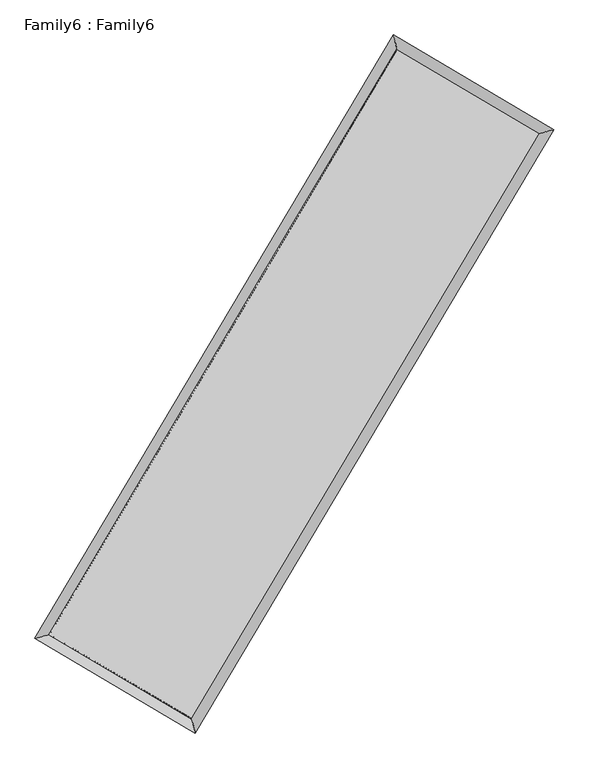
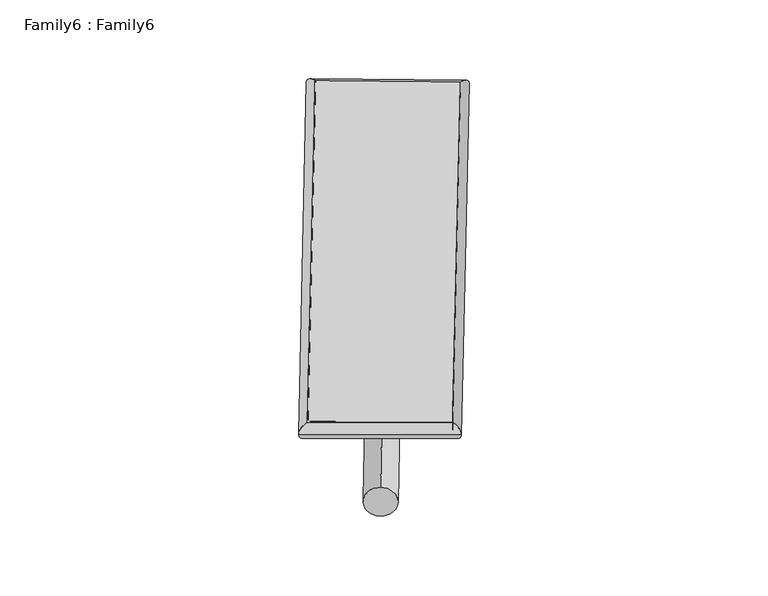
"""IFC4 building model written with IfcOpenShell, lengths in millimetres: plate geometry, Family6 : Family6."""

import ifcopenshell
import ifcopenshell.guid

model = None  # the IFC model being written
_history = None  # IfcOwnerHistory: only IFC2X3 demands one
_inside = {}  # id of a spatial element -> (the spatial element, [elements in it])
_under = {}  # id of a project, library or spatial element -> (it, [spatial elements below it])
_declared = {}  # id of a project -> (the project, [libraries it declares])
_typed = {}  # id of a type object -> (the type object, [elements of that type])
_made_of = {}  # id of a material, layer set ... -> (it, [elements and type objects made of it])


def new_model(schema):
    """Start an empty IFC model of exactly this schema.

    Asked for "IFC4X3", IfcOpenShell would pick the latest addendum, in which some entities
    have other attributes; the version numbers below select the first issue.
    IFC2X3 requires an IfcOwnerHistory on every rooted entity: one is made here for all.
    """
    global model, _history
    if schema == "IFC4X3":
        model = ifcopenshell.file(schema_version=(4, 3, 0, 0))
    else:
        model = ifcopenshell.file(schema=schema)
    _inside.clear()
    _under.clear()
    _declared.clear()
    _typed.clear()
    _made_of.clear()
    _history = None
    if model.schema == "IFC2X3":
        org = make("IfcOrganization", Name="unknown")
        user = make(
            "IfcPersonAndOrganization",
            ThePerson=make("IfcPerson", FamilyName="unknown"),
            TheOrganization=org,
        )
        app = make(
            "IfcApplication",
            ApplicationDeveloper=org,
            Version="unknown",
            ApplicationFullName="unknown",
            ApplicationIdentifier="unknown",
        )
        _history = make(
            "IfcOwnerHistory",
            OwningUser=user,
            OwningApplication=app,
            ChangeAction="ADDED",
            CreationDate=0,
        )
    return model


def make(cls, **values):
    """One entity of the class cls with the attributes given. An attribute that is None is left unset."""
    return model.create_entity(
        cls, **{name: value for name, value in values.items() if value is not None}
    )


def rooted(cls, **values):
    """An entity with a GlobalId (a new one), such as an element, a storey or a relation."""
    return make(cls, GlobalId=ifcopenshell.guid.new(), OwnerHistory=_history, **values)


def si_unit(unit_type, name, prefix=None):
    """IfcSIUnit, for example si_unit("LENGTHUNIT", "METRE", prefix="MILLI")."""
    return make("IfcSIUnit", UnitType=unit_type, Prefix=prefix, Name=name)


def assignment(units):
    """IfcUnitAssignment: the units of a project."""
    return None if units is None else make("IfcUnitAssignment", Units=units)


def point(xyz):
    """IfcCartesianPoint."""
    return None if xyz is None else make("IfcCartesianPoint", Coordinates=xyz)


def direction(xyz):
    """IfcDirection."""
    return None if xyz is None else make("IfcDirection", DirectionRatios=xyz)


def frame(location, z_axis=None, x_axis=None):
    """IfcAxis2Placement3D, a coordinate frame: its origin and axes. An axis left out is left unset."""
    return make(
        "IfcAxis2Placement3D",
        Location=point(location),
        Axis=direction(z_axis),
        RefDirection=direction(x_axis),
    )


def frame_2d(location, x_axis=None):
    """IfcAxis2Placement2D, a coordinate frame in the plane: its origin and x axis."""
    return make(
        "IfcAxis2Placement2D", Location=point(location), RefDirection=direction(x_axis)
    )


def origin():
    """The frame at (0, 0, 0) with its axes left unset."""
    return frame((0.0, 0.0, 0.0))


def origin_2d():
    """The frame at (0, 0) in the plane with its x axis left unset."""
    return frame_2d((0.0, 0.0))


def place(relative_to, where):
    """IfcLocalPlacement: puts the frame where relative to a parent placement (None: the world)."""
    return make(
        "IfcLocalPlacement", PlacementRelTo=relative_to, RelativePlacement=where
    )


def context(
    kind, dimensions, precision=None, world=None, true_north=None, identifier=None
):
    """IfcGeometricRepresentationContext, for example the 3D "Model" context."""
    return make(
        "IfcGeometricRepresentationContext",
        ContextIdentifier=identifier,
        ContextType=kind,
        CoordinateSpaceDimension=dimensions,
        Precision=precision,
        WorldCoordinateSystem=world,
        TrueNorth=true_north,
    )


def project(units=None, contexts=None):
    """IfcProject with its units and contexts."""
    return rooted(
        "IfcProject",
        Name="project",
        RepresentationContexts=contexts,
        UnitsInContext=assignment(units),
    )


def spatial(cls, under=None, at=None, **own):
    """A site, building, storey or space (cls), placed at a placement, below another one or the project."""
    s = rooted(cls, ObjectPlacement=at, **own)
    if under is not None:
        _under.setdefault(under.id(), (under, []))[1].append(s)
    return s


def circle_curve(where, radius):
    """IfcCircle in the frame where."""
    return make("IfcCircle", Position=where, Radius=radius)


def ellipse_curve(where, semi_axis1, semi_axis2):
    """IfcEllipse in the frame where."""
    return make(
        "IfcEllipse", Position=where, SemiAxis1=semi_axis1, SemiAxis2=semi_axis2
    )


def trimmed(basis, trim1, trim2, sense, master):
    """IfcTrimmedCurve: the piece of a basis curve between two trims."""
    return make(
        "IfcTrimmedCurve",
        BasisCurve=basis,
        Trim1=trim1,
        Trim2=trim2,
        SenseAgreement=sense,
        MasterRepresentation=master,
    )


def segment(curve, same_sense, transition):
    """IfcCompositeCurveSegment."""
    return make(
        "IfcCompositeCurveSegment",
        Transition=transition,
        SameSense=same_sense,
        ParentCurve=curve,
    )


def composite_curve(segments, self_intersect=None):
    """IfcCompositeCurve: segments joined end to end."""
    return make("IfcCompositeCurve", Segments=segments, SelfIntersect=self_intersect)


def outline(outer, holes=None, kind="AREA"):
    """IfcArbitraryClosedProfileDef: a profile drawn as a closed curve; with holes, ...WithVoids."""
    if holes is None:
        return make("IfcArbitraryClosedProfileDef", ProfileType=kind, OuterCurve=outer)
    return make(
        "IfcArbitraryProfileDefWithVoids",
        ProfileType=kind,
        OuterCurve=outer,
        InnerCurves=holes,
    )


def extrude(swept, where, along, depth):
    """IfcExtrudedAreaSolid: the profile swept, set in the frame where, extruded along a direction by depth."""
    return make(
        "IfcExtrudedAreaSolid",
        SweptArea=swept,
        Position=where,
        ExtrudedDirection=direction(along),
        Depth=depth,
    )


def shape(context_of_items, identifier, shape_type, items):
    """IfcShapeRepresentation: the items that make up one representation, for example the "Body"."""
    return make(
        "IfcShapeRepresentation",
        ContextOfItems=context_of_items,
        RepresentationIdentifier=identifier,
        RepresentationType=shape_type,
        Items=items,
    )


def source(mapping_origin, context_of_items, identifier, shape_type, items):
    """IfcRepresentationMap: a shape defined once, which mapped items show again and again."""
    return make(
        "IfcRepresentationMap",
        MappingOrigin=mapping_origin,
        MappedRepresentation=shape(context_of_items, identifier, shape_type, items),
    )


def transform(
    local_origin,
    x_axis=None,
    y_axis=None,
    z_axis=None,
    scale=None,
    scale2=None,
    scale3=None,
    uniform=True,
):
    """IfcCartesianTransformationOperator3D, or its non-uniform kind. x_axis, y_axis, z_axis: its Axis1, 2, 3."""
    if uniform:
        return make(
            "IfcCartesianTransformationOperator3D",
            Axis1=direction(x_axis),
            Axis2=direction(y_axis),
            LocalOrigin=point(local_origin),
            Scale=scale,
            Axis3=direction(z_axis),
        )
    return make(
        "IfcCartesianTransformationOperator3DnonUniform",
        Axis1=direction(x_axis),
        Axis2=direction(y_axis),
        LocalOrigin=point(local_origin),
        Scale=scale,
        Axis3=direction(z_axis),
        Scale2=scale2,
        Scale3=scale3,
    )


def mapped(mapping_source, mapping_target):
    """IfcMappedItem: shows the shape of a source again, moved by a transform."""
    return make(
        "IfcMappedItem", MappingSource=mapping_source, MappingTarget=mapping_target
    )


def made_of(thing, what):
    """Note that an element or type object is made of a material, layer set ...; save() writes the relation."""
    if what is not None:
        _made_of.setdefault(what.id(), (what, []))[1].append(thing)
    return thing


def element(
    cls,
    number,
    at=None,
    inside=None,
    cuts=None,
    type_object=None,
    material=None,
    context=None,
    identifier="Body",
    shape_type=None,
    held_by="IfcProductDefinitionShape",
    body=None,
    shapes=None,
    **own,
):
    """One element of the class cls, such as IfcWall. Its Tag is "e" and its number.

    at: its placement. inside: the storey or other place that contains it. cuts: it is an
    opening in that element (IfcRelVoidsElement). A single representation is given by context,
    identifier, shape_type and body (its items); several are given by shapes. held_by: the class
    of the entity that holds the representations. save() writes the other relations.
    """
    e = rooted(cls, Tag="e%d" % number, ObjectPlacement=at, **own)
    if body is not None:
        shapes = [shape(context, identifier, shape_type, body)]
    if shapes is not None:
        e.Representation = make(held_by, Representations=shapes)
    if inside is not None:
        _inside.setdefault(inside.id(), (inside, []))[1].append(e)
    if cuts is not None:
        rooted(
            "IfcRelVoidsElement", RelatingBuildingElement=cuts, RelatedOpeningElement=e
        )
    if type_object is not None:
        _typed.setdefault(type_object.id(), (type_object, []))[1].append(e)
    return made_of(e, material)


def aggregate(whole, parts):
    """IfcRelAggregates: a whole, such as a stair, and the parts it consists of."""
    return rooted("IfcRelAggregates", RelatingObject=whole, RelatedObjects=parts)


def save(model, path):
    """Write the relations noted so far, then the file.

    IfcRelAggregates (storeys below a building ...), IfcRelContainedInSpatialStructure (elements
    in a storey), IfcRelDefinesByType, IfcRelAssociatesMaterial and IfcRelDeclares: one each for
    every whole, place, type object, material and project.
    """
    for whole, parts in _under.values():
        aggregate(whole, parts)
    for where, things in _inside.values():
        rooted(
            "IfcRelContainedInSpatialStructure",
            RelatedElements=things,
            RelatingStructure=where,
        )
    for kind, things in _typed.values():
        rooted("IfcRelDefinesByType", RelatedObjects=things, RelatingType=kind)
    for what, things in _made_of.values():
        rooted("IfcRelAssociatesMaterial", RelatedObjects=things, RelatingMaterial=what)
    for by, libraries in _declared.values():
        rooted("IfcRelDeclares", RelatingContext=by, RelatedDefinitions=libraries)
    model.write(path)


def plane_surface(at):
    """IfcPlane: the flat surface through the origin of the frame at, square to its z axis."""
    return make("IfcPlane", Position=at)


def cylinder_surface(at, radius):
    """IfcCylindricalSurface: all points at the distance radius from the z axis of the frame at."""
    return make("IfcCylindricalSurface", Position=at, Radius=radius)


def spline_surface(u_degree, v_degree, points, u_multiplicities, v_multiplicities, u_knots, v_knots, weights=None):
    """IfcBSplineSurfaceWithKnots; with weights, IfcRationalBSplineSurfaceWithKnots. points: one row for each step in u."""
    own = dict(
        UDegree=u_degree,
        VDegree=v_degree,
        ControlPointsList=[[point(p) for p in row] for row in points],
        SurfaceForm="UNSPECIFIED",
        UClosed=False,
        VClosed=False,
        SelfIntersect=False,
        UMultiplicities=u_multiplicities,
        VMultiplicities=v_multiplicities,
        UKnots=u_knots,
        VKnots=v_knots,
        KnotSpec="UNSPECIFIED",
    )
    if weights is None:
        return make("IfcBSplineSurfaceWithKnots", **own)
    return make("IfcRationalBSplineSurfaceWithKnots", WeightsData=weights, **own)


def advanced_brep(points, edges, surfaces, faces):
    """IfcAdvancedBrep: a solid bounded by faces that lie on surfaces and meet in shared edges.

    An edge is (start, end): straight between two places in points (the first is 0);
    or (start, end, curve); or (start, end, curve, False) where it runs against its curve.
    A face is (place in surfaces, loops), or (place, loops, False) where it looks against
    its surface's normal. A loop lists edges by number (the first is 1), with a minus sign
    where the edge is run from its end to its start. The first loop is the outer one.
    """
    corners = [point(p) for p in points]
    vertices = [make("IfcVertexPoint", VertexGeometry=c) for c in corners]
    made = []
    for start, end, *more in edges:
        made.append(
            make(
                "IfcEdgeCurve",
                EdgeStart=vertices[start],
                EdgeEnd=vertices[end],
                EdgeGeometry=more[0] if more else make("IfcPolyline", Points=[corners[start], corners[end]]),
                SameSense=more[1] if len(more) > 1 else True,
            )
        )
    hull = []
    for where, loops, *sense in faces:
        bounds = []
        for j, loop in enumerate(loops):
            ring = [make("IfcOrientedEdge", EdgeElement=made[abs(k) - 1], Orientation=k > 0) for k in loop]
            bounds.append(
                make(
                    "IfcFaceOuterBound" if j == 0 else "IfcFaceBound",
                    Bound=make("IfcEdgeLoop", EdgeList=ring),
                    Orientation=True,
                )
            )
        hull.append(make("IfcAdvancedFace", Bounds=bounds, FaceSurface=surfaces[where], SameSense=sense[0] if sense else True))
    return make("IfcAdvancedBrep", Outer=make("IfcClosedShell", CfsFaces=hull))


def family6_family6_0a7418eb(model_context):
    return source(origin(), model_context, "Body", "SolidModel", [
        extrude(outline(composite_curve([segment(trimmed(circle_curve(origin_2d(), 76.2), [point((-75.4341514, -10.7763073))], [point((75.4341514, 10.7763073))], False, "CARTESIAN"), True, "CONTINUOUS"), segment(trimmed(circle_curve(origin_2d(), 76.2), [point((75.4341514, 10.7763073))], [point((-75.4341514, -10.7763073))], False, "CARTESIAN"), True, "CONTINUOUS")], self_intersect=False)), frame((9144.0, 9144.0, 0.0), z_axis=(0.673968004526643, 0.6868357706725269, 0.272073065552346), x_axis=(-0.6788062662114385, 0.7210772147014431, -0.13881535718534424)), (0.0, 0.0, 1.0), 5570.0200809),
        extrude(outline(composite_curve([segment(trimmed(circle_curve(origin_2d(), 76.2), [point((-53.8815367, 53.8815367))], [point((53.8815367, -53.8815367))], False, "CARTESIAN"), True, "CONTINUOUS"), segment(trimmed(circle_curve(origin_2d(), 76.2), [point((53.8815367, -53.8815367))], [point((-53.8815367, 53.8815367))], False, "CARTESIAN"), True, "CONTINUOUS")], self_intersect=False)), frame((9144.0, 9144.0, 0.0), z_axis=(-0.673752473547154, -0.6870444655350832, 0.2720799639199912), x_axis=(0.6406573287664044, -0.35960058750814716, 0.6784140362357567)), (0.0, 0.0, 1.0), 5569.7858934),
        extrude(outline(composite_curve([segment(trimmed(circle_curve(origin_2d(), 76.2), [point((-53.8815367, -53.8815367))], [point((53.8815367, 53.8815367))], False, "CARTESIAN"), True, "CONTINUOUS"), segment(trimmed(circle_curve(origin_2d(), 76.2), [point((53.8815367, 53.8815367))], [point((-53.8815367, -53.8815367))], False, "CARTESIAN"), True, "CONTINUOUS")], self_intersect=False)), frame((9144.0, 9144.0, 0.0), z_axis=(0.28097358794321636, 0.9195410915082378, 0.27476903738622804), x_axis=(-0.8387601016815327, 0.37442098430968185, -0.39533582981530263)), (0.0, 0.0, 1.0), 5565.5394987),
        extrude(outline(composite_curve([segment(trimmed(circle_curve(origin_2d(), 76.2), [point((-75.4341514, 10.7763074))], [point((75.4341514, -10.7763074))], False, "CARTESIAN"), True, "CONTINUOUS"), segment(trimmed(circle_curve(origin_2d(), 76.2), [point((75.4341514, -10.7763074))], [point((-75.4341514, 10.7763074))], False, "CARTESIAN"), True, "CONTINUOUS")], self_intersect=False)), frame((9144.0, 9144.0, 0.0), z_axis=(-0.28127257107888104, -0.9194510780781302, 0.2747643641006597), x_axis=(0.8762890230643814, -0.12938289139382844, 0.46408793937296505)), (0.0, 0.0, 1.0), 5565.6057934),
        advanced_brep(
        [(5182.2322699, 5263.7604991, 1516.5281671), (5600.4601556, 5370.8675239, 1516.8269259), (5600.4536845, 5370.8583564, 1514.3261228), (10761.1608398, 14053.3065128, 1527.7323871), (10654.3783638, 14470.1780182, 1530.7434741), (5182.2257988, 5263.7513316, 1514.027364), (12688.8425905, 12916.1430366, 1515.5994829), (13107.1880477, 13023.2350332, 1515.3053943), (7525.2033496, 4235.127483, 1528.9735775), (7631.8921482, 3818.2680232, 1529.4866958)],
        [
            (0, 1, ellipse_curve(frame((5391.3429772, 5317.3094278, 1515.4271449), z_axis=(-0.24808785341646886, 0.968733169236414, -0.0029092625152062203), x_axis=(-0.968722783384157, -0.2480995309410236, -0.004774065279801123)), 215.8716298, 152.4)),
            (1, 2, ellipse_curve(frame((5391.3429772, 5317.3094278, 1515.4271449), z_axis=(-0.24808785341646886, 0.968733169236414, -0.0029092625152062203), x_axis=(-0.968722783384157, -0.2480995309410236, -0.004774065279801123)), 215.8716298, 152.4)),
            (2, 3),
            (3, 4, ellipse_curve(frame((10707.7696018, 14261.7422655, 1529.2379306), z_axis=(-0.9687149623026355, -0.24815916314459605, 0.0028899062921266838), x_axis=(0.24814398397842985, -0.9687113698270011, -0.004779663503622014)), 215.1710484, 152.4)),
            (4, 0),
            (2, 5, ellipse_curve(frame((5391.3429772, 5317.3094278, 1515.4271449), z_axis=(-0.24808785341646886, 0.968733169236414, -0.0029092625152062203), x_axis=(-0.968722783384157, -0.2480995309410236, -0.004774065279801123)), 215.8716298, 152.4)),
            (5, 0, ellipse_curve(frame((5391.3429772, 5317.3094278, 1515.4271449), z_axis=(-0.24808785341646886, 0.968733169236414, -0.0029092625152062203), x_axis=(-0.968722783384157, -0.2480995309410236, -0.004774065279801123)), 215.8716298, 152.4)),
            (4, 3, ellipse_curve(frame((10707.7696018, 14261.7422655, 1529.2379306), z_axis=(-0.9687149623026355, -0.24815916314459605, 0.0028899062921266838), x_axis=(0.24814398397842985, -0.9687113698270011, -0.004779663503622014)), 215.1710484, 152.4)),
            (3, 6),
            (6, 7, ellipse_curve(frame((12898.0153191, 12969.6890349, 1515.4524386), z_axis=(-0.24798980075615193, 0.968758295825308, 0.0029022388890098424), x_axis=(-0.9687479703568007, -0.24800142022171764, 0.004760829506489223)), 215.919447, 152.4)),
            (7, 4),
            (7, 6, ellipse_curve(frame((12898.0153191, 12969.6890349, 1515.4524386), z_axis=(-0.24798980075615193, 0.968758295825308, 0.0029022388890098424), x_axis=(-0.9687479703568007, -0.24800142022171764, 0.004760829506489223)), 215.919447, 152.4)),
            (6, 8),
            (8, 9, ellipse_curve(frame((7578.5477489, 4026.6977531, 1529.2301366), z_axis=(0.96876967657122, 0.24794534338388932, 0.0029018012232230337), x_axis=(-0.24793008588153242, 0.9687660962927805, -0.004787816665563575)), 215.1493371, 152.4)),
            (9, 7),
            (9, 8, ellipse_curve(frame((7578.5477489, 4026.6977531, 1529.2301366), z_axis=(0.96876967657122, 0.24794534338388932, 0.0029018012232230337), x_axis=(-0.24793008588153242, 0.9687660962927805, -0.004787816665563575)), 215.1493371, 152.4)),
            (8, 1),
            (5, 9),
        ],
        [
            cylinder_surface(frame((5391.3429772, 5317.3094278, 1515.4271449), z_axis=(-0.5109411098503723, -0.8596146930672063, -0.0013273009616482884), x_axis=(-0.8595897881138607, 0.5109130957625697, 0.00855597736530248)), 152.4),
            cylinder_surface(frame((10707.7696018, 14261.7422655, 1529.2379306), z_axis=(-0.8612895998741631, 0.5080854632955178, 0.005420990350791329), x_axis=(0.5081087379505916, 0.8612812998991938, 0.004475808554023972)), 152.4),
            cylinder_surface(frame((12898.0153191, 12969.6890349, 1515.4524386), z_axis=(0.5112178842016563, 0.8594501275129536, -0.0013240809453671568), x_axis=(0.8594510703671469, -0.5112178842016563, 0.00036402904782807324)), 152.4),
            cylinder_surface(frame((7578.5477489, 4026.6977531, 1529.2301366), z_axis=(0.861228814670469, -0.5081883402609684, 0.005435034875811289), x_axis=(-0.5081748346367821, -0.8612458452718978, -0.003732484932768389)), 152.4),
        ],
        [
            (0, [[1, 2, 3, 4, 5]]),
            (0, [[6, 7, -5, 8, -3]]),
            (1, [[-4, 9, 10, 11]]),
            (1, [[-8, -11, 12, -9]]),
            (2, [[-10, 13, 14, 15]]),
            (2, [[-12, -15, 16, -13]]),
            (3, [[-14, 17, -1, -7, 18]]),
            (3, [[-16, -18, -6, -2, -17]]),
        ],
    ),
        extrude(outline(composite_curve([segment(trimmed(circle_curve(origin_2d(), 304.8), [point((0.0, 304.8))], [point((0.0, -304.8))], False, "CARTESIAN"), True, "CONTINUOUS"), segment(trimmed(circle_curve(origin_2d(), 304.8), [point((0.0, -304.8))], [point((0.0, 304.8))], False, "CARTESIAN"), True, "CONTINUOUS")], self_intersect=False)), frame((11807.0198647, 13638.9630161, -0.0001063), z_axis=(-0.5097086211148937, -0.8603470936553185, 2.0341755800441754e-08), x_axis=(-0.8603470936553187, 0.5097086211148937, -5.5733515188967674e-09)), (0.0, 0.0, 1.0), 10449.1851004),
        advanced_brep(
        [(5391.3429772, 5317.3094278, 1515.4271449), (7578.5477489, 4026.6977531, 1529.2301366), (7578.547645, 4026.6975364, 1681.6301366), (5391.3428733, 5317.3092111, 1667.8271449), (12898.0153191, 12969.6890349, 1515.4524386), (12898.0152152, 12969.6888182, 1667.8524386), (10707.7696018, 14261.7422655, 1529.2379306), (10707.7694979, 14261.7420488, 1681.6379306)],
        [
            (0, 1),
            (1, 2),
            (2, 3),
            (3, 0),
            (1, 4),
            (4, 5),
            (5, 2),
            (4, 6),
            (6, 7),
            (7, 5),
            (6, 0),
            (3, 7),
        ],
        [
            plane_surface(frame((6484.9453631, 4672.0035904, 1522.3286408), z_axis=(-0.5081958389137746, -0.8612415394697686, -1.5710603744937233e-06), x_axis=(0.8612288146704692, -0.5081883402609682, 0.0054350348758112925))),
            plane_surface(frame((10238.281534, 8498.193394, 1522.3412876), z_axis=(0.8594508808084173, -0.5112183324936775, -1.408689781933663e-07), x_axis=(0.511217884201656, 0.8594501275129538, -0.0013240809453671553))),
            plane_surface(frame((11802.8924604, 13615.7156502, 1522.3451846), z_axis=(0.5080929363834796, 0.8613022512421205, 1.571076524877705e-06), x_axis=(-0.861289599874163, 0.5080854632955175, 0.005420990350791329))),
            plane_surface(frame((8049.5562895, 9789.5258466, 1522.3325378), z_axis=(-0.8596154503669582, 0.5109415597604015, 1.403632279026526e-07), x_axis=(-0.5109411098503723, -0.8596146930672061, -0.001327300961648289))),
            spline_surface(1, 1, [[(7578.547645, 4026.6975364, 1681.6301366), (5391.3428733, 5317.3092111, 1667.8271449)], [(12898.0152152, 12969.6888182, 1667.8524386), (10707.7694979, 14261.7420488, 1681.6379306)]], [2, 2], [2, 2], [0.0, 1.0], [0.0, 1.0]),
            spline_surface(1, 1, [[(10707.7696018, 14261.7422655, 1529.2379306), (5391.3429772, 5317.3094278, 1515.4271449)], [(12898.0153191, 12969.6890349, 1515.4524386), (7578.5477489, 4026.6977531, 1529.2301366)]], [2, 2], [2, 2], [0.0, 1.0], [0.0, 1.0]),
        ],
        [
            (0, [[1, 2, 3, 4]]),
            (1, [[5, 6, 7, -2]]),
            (2, [[8, 9, 10, -6]]),
            (3, [[11, -4, 12, -9]]),
            (4, [[-3, -7, -10, -12]]),
            (5, [[-11, -8, -5, -1]]),
        ],
    ),
    ])


if __name__ == "__main__":
    model = new_model("IFC4")
    model_context = context("Model", 3, world=origin())
    ifc_project = project(units=[si_unit("LENGTHUNIT", "METRE", prefix="MILLI")], contexts=[model_context])
    site = spatial("IfcSite", under=ifc_project)
    building = spatial("IfcBuilding", under=site)
    placement = place(None, origin())
    family6_family6_shape = family6_family6_0a7418eb(model_context)
    element("IfcPlate", 1, ObjectType="Family6 : Family6", at=placement, inside=building, context=model_context, shape_type="MappedRepresentation", body=[
        mapped(family6_family6_shape, transform((0.0, 0.0, 0.0), x_axis=(1.0, 0.0, 0.0), y_axis=(0.0, 1.0, 0.0), z_axis=(0.0, 0.0, 1.0))),
    ])
    save(model, "model.ifc")
